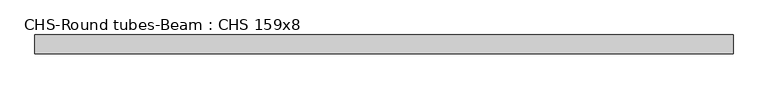
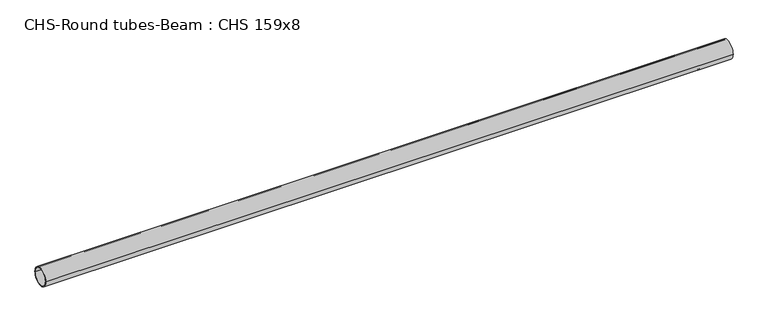
"""IFC4 building model written with IfcOpenShell, lengths in millimetres: beam geometry, CHS-Round tubes-Beam : CHS 159x8."""

from ifc_helpers import new_model, si_unit, point, frame, origin, origin_2d, place, context, project, spatial, circle_curve, trimmed, segment, composite_curve, outline, extrude, source, transform, mapped, element, save


def chs_round_tubes_beam_chs_159x8_1162126b(model_context):
    return source(origin(), model_context, "Body", "SweptSolid", [
        extrude(outline(composite_curve([segment(trimmed(circle_curve(origin_2d(), 79.5), [point((79.5, 0.0))], [point((-79.5, 0.0))], False, "CARTESIAN"), True, "CONTINUOUS"), segment(trimmed(circle_curve(origin_2d(), 79.5), [point((-79.5, 0.0))], [point((79.5, 0.0))], False, "CARTESIAN"), True, "CONTINUOUS")], self_intersect=False), holes=[composite_curve([segment(trimmed(circle_curve(origin_2d(), 71.5), [point((71.5, 0.0))], [point((-71.5, 0.0))], True, "CARTESIAN"), True, "CONTINUOUS"), segment(trimmed(circle_curve(origin_2d(), 71.5), [point((-71.5, 0.0))], [point((71.5, 0.0))], True, "CARTESIAN"), True, "CONTINUOUS")], self_intersect=False)]), frame((-2942.7627723, 0.0, 0.0), z_axis=(1.0, 0.0, 0.0), x_axis=(0.0, 1.0, 0.0)), (0.0, 0.0, 1.0), 5885.5255445),
    ])


if __name__ == "__main__":
    model = new_model("IFC4")
    model_context = context("Model", 3, world=origin())
    ifc_project = project(units=[si_unit("LENGTHUNIT", "METRE", prefix="MILLI")], contexts=[model_context])
    site = spatial("IfcSite", under=ifc_project)
    building = spatial("IfcBuilding", under=site)
    placement = place(None, origin())
    chs_round_tubes_beam_chs_159x8_shape = chs_round_tubes_beam_chs_159x8_1162126b(model_context)
    element("IfcBeam", 1, ObjectType="CHS-Round tubes-Beam : CHS 159x8", at=placement, inside=building, context=model_context, shape_type="MappedRepresentation", body=[
        mapped(chs_round_tubes_beam_chs_159x8_shape, transform((0.0, 0.0, 0.0), x_axis=(1.0, 0.0, 0.0), y_axis=(0.0, 1.0, 0.0), z_axis=(0.0, 0.0, 1.0))),
    ])
    save(model, "model.ifc")
